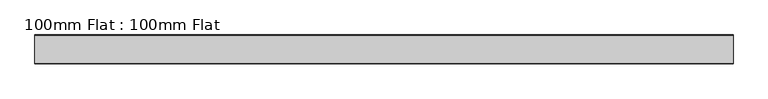
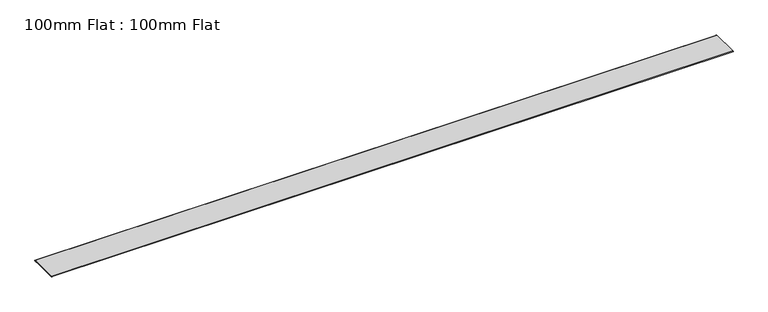
"""IFC4 building model written with IfcOpenShell, lengths in millimetres: proxy geometry, 100mm Flat : 100mm Flat."""

import ifcopenshell
import ifcopenshell.guid

model = None  # the IFC model being written
_history = None  # IfcOwnerHistory: only IFC2X3 demands one
_inside = {}  # id of a spatial element -> (the spatial element, [elements in it])
_under = {}  # id of a project, library or spatial element -> (it, [spatial elements below it])
_declared = {}  # id of a project -> (the project, [libraries it declares])
_typed = {}  # id of a type object -> (the type object, [elements of that type])
_made_of = {}  # id of a material, layer set ... -> (it, [elements and type objects made of it])


def new_model(schema):
    """Start an empty IFC model of exactly this schema.

    Asked for "IFC4X3", IfcOpenShell would pick the latest addendum, in which some entities
    have other attributes; the version numbers below select the first issue.
    IFC2X3 requires an IfcOwnerHistory on every rooted entity: one is made here for all.
    """
    global model, _history
    if schema == "IFC4X3":
        model = ifcopenshell.file(schema_version=(4, 3, 0, 0))
    else:
        model = ifcopenshell.file(schema=schema)
    _inside.clear()
    _under.clear()
    _declared.clear()
    _typed.clear()
    _made_of.clear()
    _history = None
    if model.schema == "IFC2X3":
        org = make("IfcOrganization", Name="unknown")
        user = make(
            "IfcPersonAndOrganization",
            ThePerson=make("IfcPerson", FamilyName="unknown"),
            TheOrganization=org,
        )
        app = make(
            "IfcApplication",
            ApplicationDeveloper=org,
            Version="unknown",
            ApplicationFullName="unknown",
            ApplicationIdentifier="unknown",
        )
        _history = make(
            "IfcOwnerHistory",
            OwningUser=user,
            OwningApplication=app,
            ChangeAction="ADDED",
            CreationDate=0,
        )
    return model


def make(cls, **values):
    """One entity of the class cls with the attributes given. An attribute that is None is left unset."""
    return model.create_entity(
        cls, **{name: value for name, value in values.items() if value is not None}
    )


def rooted(cls, **values):
    """An entity with a GlobalId (a new one), such as an element, a storey or a relation."""
    return make(cls, GlobalId=ifcopenshell.guid.new(), OwnerHistory=_history, **values)


def si_unit(unit_type, name, prefix=None):
    """IfcSIUnit, for example si_unit("LENGTHUNIT", "METRE", prefix="MILLI")."""
    return make("IfcSIUnit", UnitType=unit_type, Prefix=prefix, Name=name)


def assignment(units):
    """IfcUnitAssignment: the units of a project."""
    return None if units is None else make("IfcUnitAssignment", Units=units)


def point(xyz):
    """IfcCartesianPoint."""
    return None if xyz is None else make("IfcCartesianPoint", Coordinates=xyz)


def direction(xyz):
    """IfcDirection."""
    return None if xyz is None else make("IfcDirection", DirectionRatios=xyz)


def frame(location, z_axis=None, x_axis=None):
    """IfcAxis2Placement3D, a coordinate frame: its origin and axes. An axis left out is left unset."""
    return make(
        "IfcAxis2Placement3D",
        Location=point(location),
        Axis=direction(z_axis),
        RefDirection=direction(x_axis),
    )


def frame_2d(location, x_axis=None):
    """IfcAxis2Placement2D, a coordinate frame in the plane: its origin and x axis."""
    return make(
        "IfcAxis2Placement2D", Location=point(location), RefDirection=direction(x_axis)
    )


def origin():
    """The frame at (0, 0, 0) with its axes left unset."""
    return frame((0.0, 0.0, 0.0))


def place(relative_to, where):
    """IfcLocalPlacement: puts the frame where relative to a parent placement (None: the world)."""
    return make(
        "IfcLocalPlacement", PlacementRelTo=relative_to, RelativePlacement=where
    )


def context(
    kind, dimensions, precision=None, world=None, true_north=None, identifier=None
):
    """IfcGeometricRepresentationContext, for example the 3D "Model" context."""
    return make(
        "IfcGeometricRepresentationContext",
        ContextIdentifier=identifier,
        ContextType=kind,
        CoordinateSpaceDimension=dimensions,
        Precision=precision,
        WorldCoordinateSystem=world,
        TrueNorth=true_north,
    )


def project(units=None, contexts=None):
    """IfcProject with its units and contexts."""
    return rooted(
        "IfcProject",
        Name="project",
        RepresentationContexts=contexts,
        UnitsInContext=assignment(units),
    )


def spatial(cls, under=None, at=None, **own):
    """A site, building, storey or space (cls), placed at a placement, below another one or the project."""
    s = rooted(cls, ObjectPlacement=at, **own)
    if under is not None:
        _under.setdefault(under.id(), (under, []))[1].append(s)
    return s


def polyline(points):
    """IfcPolyline through the points."""
    return make("IfcPolyline", Points=[point(p) for p in points])


def circle_curve(where, radius):
    """IfcCircle in the frame where."""
    return make("IfcCircle", Position=where, Radius=radius)


def trimmed(basis, trim1, trim2, sense, master):
    """IfcTrimmedCurve: the piece of a basis curve between two trims."""
    return make(
        "IfcTrimmedCurve",
        BasisCurve=basis,
        Trim1=trim1,
        Trim2=trim2,
        SenseAgreement=sense,
        MasterRepresentation=master,
    )


def segment(curve, same_sense, transition):
    """IfcCompositeCurveSegment."""
    return make(
        "IfcCompositeCurveSegment",
        Transition=transition,
        SameSense=same_sense,
        ParentCurve=curve,
    )


def composite_curve(segments, self_intersect=None):
    """IfcCompositeCurve: segments joined end to end."""
    return make("IfcCompositeCurve", Segments=segments, SelfIntersect=self_intersect)


def outline(outer, holes=None, kind="AREA"):
    """IfcArbitraryClosedProfileDef: a profile drawn as a closed curve; with holes, ...WithVoids."""
    if holes is None:
        return make("IfcArbitraryClosedProfileDef", ProfileType=kind, OuterCurve=outer)
    return make(
        "IfcArbitraryProfileDefWithVoids",
        ProfileType=kind,
        OuterCurve=outer,
        InnerCurves=holes,
    )


def extrude(swept, where, along, depth):
    """IfcExtrudedAreaSolid: the profile swept, set in the frame where, extruded along a direction by depth."""
    return make(
        "IfcExtrudedAreaSolid",
        SweptArea=swept,
        Position=where,
        ExtrudedDirection=direction(along),
        Depth=depth,
    )


def shape(context_of_items, identifier, shape_type, items):
    """IfcShapeRepresentation: the items that make up one representation, for example the "Body"."""
    return make(
        "IfcShapeRepresentation",
        ContextOfItems=context_of_items,
        RepresentationIdentifier=identifier,
        RepresentationType=shape_type,
        Items=items,
    )


def source(mapping_origin, context_of_items, identifier, shape_type, items):
    """IfcRepresentationMap: a shape defined once, which mapped items show again and again."""
    return make(
        "IfcRepresentationMap",
        MappingOrigin=mapping_origin,
        MappedRepresentation=shape(context_of_items, identifier, shape_type, items),
    )


def transform(
    local_origin,
    x_axis=None,
    y_axis=None,
    z_axis=None,
    scale=None,
    scale2=None,
    scale3=None,
    uniform=True,
):
    """IfcCartesianTransformationOperator3D, or its non-uniform kind. x_axis, y_axis, z_axis: its Axis1, 2, 3."""
    if uniform:
        return make(
            "IfcCartesianTransformationOperator3D",
            Axis1=direction(x_axis),
            Axis2=direction(y_axis),
            LocalOrigin=point(local_origin),
            Scale=scale,
            Axis3=direction(z_axis),
        )
    return make(
        "IfcCartesianTransformationOperator3DnonUniform",
        Axis1=direction(x_axis),
        Axis2=direction(y_axis),
        LocalOrigin=point(local_origin),
        Scale=scale,
        Axis3=direction(z_axis),
        Scale2=scale2,
        Scale3=scale3,
    )


def mapped(mapping_source, mapping_target):
    """IfcMappedItem: shows the shape of a source again, moved by a transform."""
    return make(
        "IfcMappedItem", MappingSource=mapping_source, MappingTarget=mapping_target
    )


def made_of(thing, what):
    """Note that an element or type object is made of a material, layer set ...; save() writes the relation."""
    if what is not None:
        _made_of.setdefault(what.id(), (what, []))[1].append(thing)
    return thing


def element(
    cls,
    number,
    at=None,
    inside=None,
    cuts=None,
    type_object=None,
    material=None,
    context=None,
    identifier="Body",
    shape_type=None,
    held_by="IfcProductDefinitionShape",
    body=None,
    shapes=None,
    **own,
):
    """One element of the class cls, such as IfcWall. Its Tag is "e" and its number.

    at: its placement. inside: the storey or other place that contains it. cuts: it is an
    opening in that element (IfcRelVoidsElement). A single representation is given by context,
    identifier, shape_type and body (its items); several are given by shapes. held_by: the class
    of the entity that holds the representations. save() writes the other relations.
    """
    e = rooted(cls, Tag="e%d" % number, ObjectPlacement=at, **own)
    if body is not None:
        shapes = [shape(context, identifier, shape_type, body)]
    if shapes is not None:
        e.Representation = make(held_by, Representations=shapes)
    if inside is not None:
        _inside.setdefault(inside.id(), (inside, []))[1].append(e)
    if cuts is not None:
        rooted(
            "IfcRelVoidsElement", RelatingBuildingElement=cuts, RelatedOpeningElement=e
        )
    if type_object is not None:
        _typed.setdefault(type_object.id(), (type_object, []))[1].append(e)
    return made_of(e, material)


def aggregate(whole, parts):
    """IfcRelAggregates: a whole, such as a stair, and the parts it consists of."""
    return rooted("IfcRelAggregates", RelatingObject=whole, RelatedObjects=parts)


def save(model, path):
    """Write the relations noted so far, then the file.

    IfcRelAggregates (storeys below a building ...), IfcRelContainedInSpatialStructure (elements
    in a storey), IfcRelDefinesByType, IfcRelAssociatesMaterial and IfcRelDeclares: one each for
    every whole, place, type object, material and project.
    """
    for whole, parts in _under.values():
        aggregate(whole, parts)
    for where, things in _inside.values():
        rooted(
            "IfcRelContainedInSpatialStructure",
            RelatedElements=things,
            RelatingStructure=where,
        )
    for kind, things in _typed.values():
        rooted("IfcRelDefinesByType", RelatedObjects=things, RelatingType=kind)
    for what, things in _made_of.values():
        rooted("IfcRelAssociatesMaterial", RelatedObjects=things, RelatingMaterial=what)
    for by, libraries in _declared.values():
        rooted("IfcRelDeclares", RelatingContext=by, RelatedDefinitions=libraries)
    model.write(path)


def proxy_100mm_flat_100mm_flat_2008fa08(model_context):
    return source(origin(), model_context, "Body", "SweptSolid", [
        extrude(outline(composite_curve([segment(trimmed(circle_curve(frame_2d((-1124.0962442, 1527.3887136)), 1.0), [point((-1124.0962442, 1528.3887136))], [point((-1124.0962442, 1526.3887136))], False, "CARTESIAN"), True, "CONTINUOUS"), segment(polyline([(-1124.0962442, 1526.3887136), (-1132.1028719, 1526.3887136), (-1132.1028719, 1527.3887136), (-1213.0962442, 1527.3887136), (-1213.0962442, 1526.3887136), (-1222.1028719, 1526.3887136)]), True, "CONTINUOUS"), segment(trimmed(circle_curve(frame_2d((-1222.1028719, 1527.3887136)), 1.0), [point((-1222.1028719, 1526.3887136))], [point((-1222.1028719, 1528.3887136))], False, "CARTESIAN"), True, "CONTINUOUS"), segment(polyline([(-1222.1028719, 1528.3887136), (-1124.0962442, 1528.3887136)]), True, "CONTINUOUS")], self_intersect=False)), frame((1587.2209787, 0.0, 0.0), z_axis=(1.0, 0.0, 0.0), x_axis=(0.0, 1.0, 0.0)), (0.0, 0.0, 1.0), 2409.6850155),
    ])


if __name__ == "__main__":
    model = new_model("IFC4")
    model_context = context("Model", 3, world=origin())
    ifc_project = project(units=[si_unit("LENGTHUNIT", "METRE", prefix="MILLI")], contexts=[model_context])
    site = spatial("IfcSite", under=ifc_project)
    building = spatial("IfcBuilding", under=site)
    placement = place(None, origin())
    proxy_100mm_flat_100mm_flat_shape = proxy_100mm_flat_100mm_flat_2008fa08(model_context)
    element("IfcBuildingElementProxy", 1, Name="100mm Flat : 100mm Flat", ObjectType="100mm Flat : 100mm Flat", at=placement, inside=building, context=model_context, shape_type="MappedRepresentation", body=[
        mapped(proxy_100mm_flat_100mm_flat_shape, transform((0.0, 0.0, 0.0), x_axis=(1.0, 0.0, 0.0), y_axis=(0.0, 1.0, 0.0), z_axis=(0.0, 0.0, 1.0))),
    ])
    save(model, "model.ifc")
